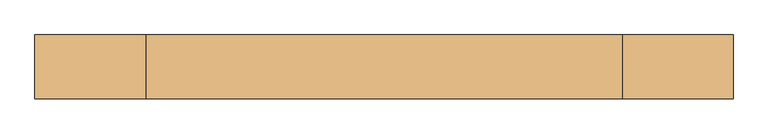
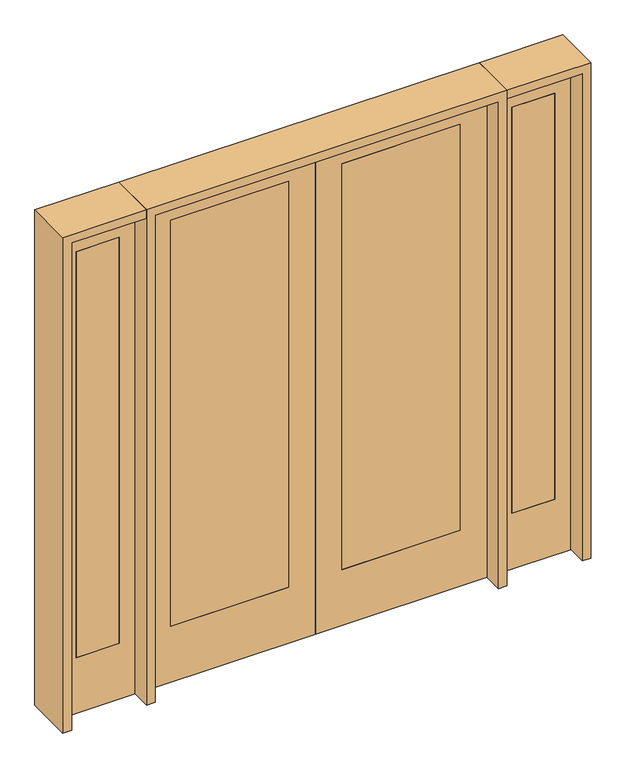
"""IFC4 building model written with IfcOpenShell, lengths in millimetres: door geometry."""

from ifc_helpers import new_model, si_unit, frame, origin, place, context, project, spatial, polyline, outline, extrude, source, transform, mapped, element, save


def door_8cbec106(model_context):
    return source(origin(), model_context, "Body", "SweptSolid", [
        extrude(outline(polyline([(1133.475, 20.6375), (1133.475, -20.6375), (930.275, -20.6375), (930.275, 20.6375), (1133.475, 20.6375)])), frame((0.0, 0.0, 279.4), z_axis=(0.0, 0.0, 1.0), x_axis=(1.0, 0.0, 0.0)), (0.0, 0.0, 1.0), 2032.0),
        extrude(outline(polyline([(0.0, 854.075), (0.0, 1209.675), (2438.4, 1209.675), (2438.4, 854.075), (0.0, 854.075)]), holes=[polyline([(2311.4, 1133.475), (279.4, 1133.475), (279.4, 930.275), (2311.4, 930.275), (2311.4, 1133.475)])]), frame((0.0, -20.6375, 0.0), z_axis=(0.0, 1.0, 0.0), x_axis=(0.0, 0.0, 1.0)), (0.0, 0.0, 1.0), 41.275),
        extrude(outline(polyline([(-930.275, 20.6375), (-930.275, -20.6375), (-1133.475, -20.6375), (-1133.475, 20.6375), (-930.275, 20.6375)])), frame((0.0, 0.0, 279.4), z_axis=(0.0, 0.0, 1.0), x_axis=(1.0, 0.0, 0.0)), (0.0, 0.0, 1.0), 2032.0),
        extrude(outline(polyline([(0.0, -1209.675), (0.0, -854.075), (2438.4, -854.075), (2438.4, -1209.675), (0.0, -1209.675)]), holes=[polyline([(2311.4, -930.275), (279.4, -930.275), (279.4, -1133.475), (2311.4, -1133.475), (2311.4, -930.275)])]), frame((0.0, -20.6375, 0.0), z_axis=(0.0, 1.0, 0.0), x_axis=(0.0, 0.0, 1.0)), (0.0, 0.0, 1.0), 41.275),
        extrude(outline(polyline([(2438.4, 812.8), (2438.4, 0.0), (0.0, 0.0), (0.0, 812.8), (2438.4, 812.8)]), holes=[polyline([(279.4, 685.8), (279.4, 127.0), (2311.4, 127.0), (2311.4, 685.8), (279.4, 685.8)])]), frame((0.0, -20.6375, 0.0), z_axis=(0.0, 1.0, 0.0), x_axis=(0.0, 0.0, 1.0)), (0.0, 0.0, 1.0), 41.275),
        extrude(outline(polyline([(127.0, 20.6375), (685.8, 20.6375), (685.8, -20.6375), (127.0, -20.6375), (127.0, 20.6375)])), frame((0.0, 0.0, 279.4), z_axis=(0.0, 0.0, 1.0), x_axis=(1.0, 0.0, 0.0)), (0.0, 0.0, 1.0), 2032.0),
        extrude(outline(polyline([(2438.4, -812.8), (0.0, -812.8), (0.0, 0.0), (2438.4, 0.0), (2438.4, -812.8)]), holes=[polyline([(279.4, -685.8), (2311.4, -685.8), (2311.4, -127.0), (279.4, -127.0), (279.4, -685.8)])]), frame((0.0, -20.6375, 0.0), z_axis=(0.0, 1.0, 0.0), x_axis=(0.0, 0.0, 1.0)), (0.0, 0.0, 1.0), 41.275),
        extrude(outline(polyline([(-127.0, 20.6375), (-127.0, -20.6375), (-685.8, -20.6375), (-685.8, 20.6375), (-127.0, 20.6375)])), frame((0.0, 0.0, 279.4), z_axis=(0.0, 0.0, 1.0), x_axis=(1.0, 0.0, 0.0)), (0.0, 0.0, 1.0), 2032.0),
        extrude(outline(polyline([(2479.675, -854.075), (2479.675, -1250.95), (0.0, -1250.95), (0.0, -1209.675), (2438.4, -1209.675), (2438.4, -854.075), (2479.675, -854.075)])), frame((0.0, -114.3, 0.0), z_axis=(0.0, 1.0, 0.0), x_axis=(0.0, 0.0, 1.0)), (0.0, 0.0, 1.0), 228.6),
        extrude(outline(polyline([(2479.675, -854.075), (0.0, -854.075), (0.0, -812.8), (2438.4, -812.8), (2438.4, 812.8), (0.0, 812.8), (0.0, 854.075), (2479.675, 854.075), (2479.675, -854.075)])), frame((0.0, -114.3, 0.0), z_axis=(0.0, 1.0, 0.0), x_axis=(0.0, 0.0, 1.0)), (0.0, 0.0, 1.0), 228.6),
        extrude(outline(polyline([(0.0, 1250.95), (2479.675, 1250.95), (2479.675, 854.075), (2438.4, 854.075), (2438.4, 1209.675), (0.0, 1209.675), (0.0, 1250.95)])), frame((0.0, -114.3, 0.0), z_axis=(0.0, 1.0, 0.0), x_axis=(0.0, 0.0, 1.0)), (0.0, 0.0, 1.0), 228.6),
    ])


if __name__ == "__main__":
    model = new_model("IFC4")
    model_context = context("Model", 3, world=origin())
    ifc_project = project(units=[si_unit("LENGTHUNIT", "METRE", prefix="MILLI")], contexts=[model_context])
    site = spatial("IfcSite", under=ifc_project)
    building = spatial("IfcBuilding", under=site)
    placement = place(None, origin())
    door_shape = door_8cbec106(model_context)
    element("IfcDoor", 1, at=placement, inside=building, context=model_context, shape_type="MappedRepresentation", body=[
        mapped(door_shape, transform((0.0, 0.0, 0.0), x_axis=(1.0, 0.0, 0.0), y_axis=(0.0, 1.0, 0.0), z_axis=(0.0, 0.0, 1.0))),
    ])
    save(model, "model.ifc")
